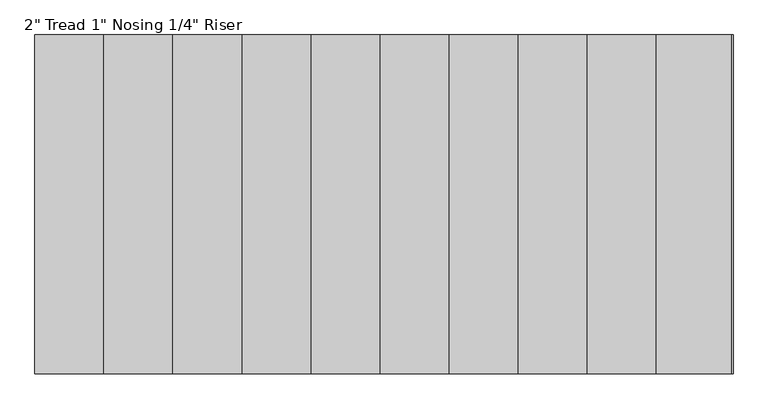
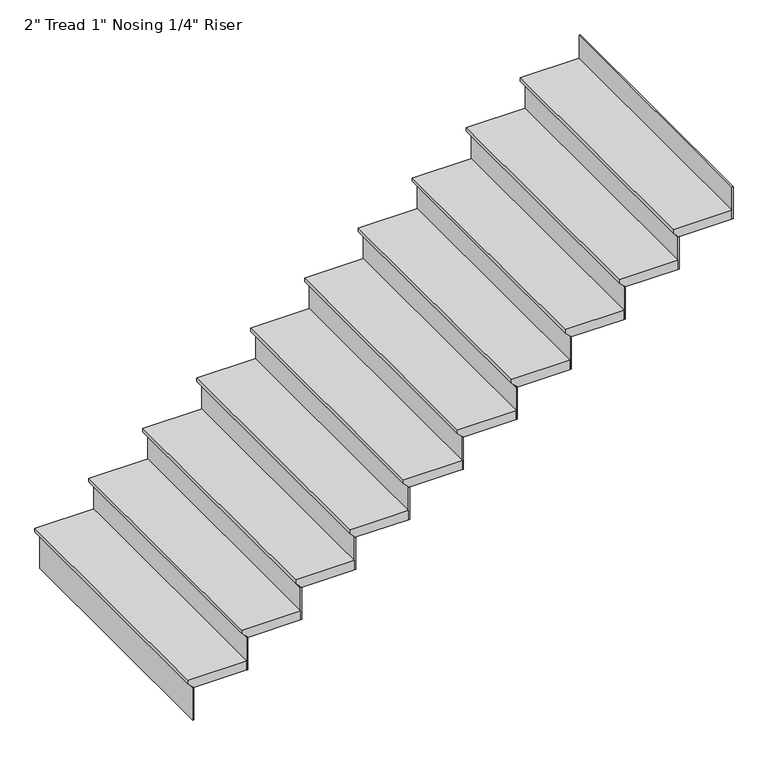
"""IFC4 building model written with IfcOpenShell, lengths in millimetres: stair flight geometry."""

from ifc_helpers import new_model, si_unit, frame, origin, place, context, project, spatial, polyline, outline, extrude, source, transform, mapped, element, save


def stair_flight_6864d368(model_context):
    return source(origin(), model_context, "Body", "SweptSolid", [
        extrude(outline(polyline([(265.0434783, -544596.9675922), (265.0434783, -544901.7675922), (245.9934783, -544901.7675922), (220.5934783, -544876.3675922), (214.2434783, -544876.3675922), (214.2434783, -544596.9675922), (265.0434783, -544596.9675922)])), frame((0.0, -2942.7663899, 0.0), z_axis=(0.0, 1.0, 0.0), x_axis=(0.0, 0.0, 1.0)), (0.0, 0.0, 1.0), 1371.6),
        extrude(outline(polyline([(-544870.0175922, -2942.7663899), (-544876.3675922, -2942.7663899), (-544876.3675922, -1571.1663899), (-544870.0175922, -1571.1663899), (-544870.0175922, -2942.7663899)])), frame((0.0, 0.0, 37.5478261), z_axis=(0.0, 0.0, 1.0), x_axis=(1.0, 0.0, 0.0)), (0.0, 0.0, 1.0), 176.6956522),
        extrude(outline(polyline([(-544590.6175922, -2942.7663899), (-544596.9675922, -2942.7663899), (-544596.9675922, -1571.1663899), (-544590.6175922, -1571.1663899), (-544590.6175922, -2942.7663899)])), frame((0.0, 0.0, 214.2434783), z_axis=(0.0, 0.0, 1.0), x_axis=(1.0, 0.0, 0.0)), (0.0, 0.0, 1.0), 176.6956522),
        extrude(outline(polyline([(441.7391304, -544317.5675922), (441.7391304, -544622.3675922), (422.6891304, -544622.3675922), (397.2891304, -544596.9675922), (390.9391304, -544596.9675922), (390.9391304, -544317.5675922), (441.7391304, -544317.5675922)])), frame((0.0, -2942.7663899, 0.0), z_axis=(0.0, 1.0, 0.0), x_axis=(0.0, 0.0, 1.0)), (0.0, 0.0, 1.0), 1371.6),
        extrude(outline(polyline([(-544311.2175922, -2942.7663899), (-544317.5675922, -2942.7663899), (-544317.5675922, -1571.1663899), (-544311.2175922, -1571.1663899), (-544311.2175922, -2942.7663899)])), frame((0.0, 0.0, 390.9391304), z_axis=(0.0, 0.0, 1.0), x_axis=(1.0, 0.0, 0.0)), (0.0, 0.0, 1.0), 176.6956522),
        extrude(outline(polyline([(618.4347826, -544038.1675922), (618.4347826, -544342.9675922), (599.3847826, -544342.9675922), (573.9847826, -544317.5675922), (567.6347826, -544317.5675922), (567.6347826, -544038.1675922), (618.4347826, -544038.1675922)])), frame((0.0, -2942.7663899, 0.0), z_axis=(0.0, 1.0, 0.0), x_axis=(0.0, 0.0, 1.0)), (0.0, 0.0, 1.0), 1371.6),
        extrude(outline(polyline([(-544031.8175922, -2942.7663899), (-544038.1675922, -2942.7663899), (-544038.1675922, -1571.1663899), (-544031.8175922, -1571.1663899), (-544031.8175922, -2942.7663899)])), frame((0.0, 0.0, 567.6347826), z_axis=(0.0, 0.0, 1.0), x_axis=(1.0, 0.0, 0.0)), (0.0, 0.0, 1.0), 176.6956522),
        extrude(outline(polyline([(795.1304348, -543758.7675922), (795.1304348, -544063.5675922), (776.0804348, -544063.5675922), (750.6804348, -544038.1675922), (744.3304348, -544038.1675922), (744.3304348, -543758.7675922), (795.1304348, -543758.7675922)])), frame((0.0, -2942.7663899, 0.0), z_axis=(0.0, 1.0, 0.0), x_axis=(0.0, 0.0, 1.0)), (0.0, 0.0, 1.0), 1371.6),
        extrude(outline(polyline([(-543752.4175922, -2942.7663899), (-543758.7675922, -2942.7663899), (-543758.7675922, -1571.1663899), (-543752.4175922, -1571.1663899), (-543752.4175922, -2942.7663899)])), frame((0.0, 0.0, 744.3304348), z_axis=(0.0, 0.0, 1.0), x_axis=(1.0, 0.0, 0.0)), (0.0, 0.0, 1.0), 176.6956522),
        extrude(outline(polyline([(971.826087, -543479.3675922), (971.826087, -543784.1675922), (952.776087, -543784.1675922), (927.376087, -543758.7675922), (921.026087, -543758.7675922), (921.026087, -543479.3675922), (971.826087, -543479.3675922)])), frame((0.0, -2942.7663899, 0.0), z_axis=(0.0, 1.0, 0.0), x_axis=(0.0, 0.0, 1.0)), (0.0, 0.0, 1.0), 1371.6),
        extrude(outline(polyline([(-543473.0175922, -2942.7663899), (-543479.3675922, -2942.7663899), (-543479.3675922, -1571.1663899), (-543473.0175922, -1571.1663899), (-543473.0175922, -2942.7663899)])), frame((0.0, 0.0, 921.026087), z_axis=(0.0, 0.0, 1.0), x_axis=(1.0, 0.0, 0.0)), (0.0, 0.0, 1.0), 176.6956522),
        extrude(outline(polyline([(1148.5217391, -543199.9675922), (1148.5217391, -543504.7675922), (1129.4717391, -543504.7675922), (1104.0717391, -543479.3675922), (1097.7217391, -543479.3675922), (1097.7217391, -543199.9675922), (1148.5217391, -543199.9675922)])), frame((0.0, -2942.7663899, 0.0), z_axis=(0.0, 1.0, 0.0), x_axis=(0.0, 0.0, 1.0)), (0.0, 0.0, 1.0), 1371.6),
        extrude(outline(polyline([(-543193.6175922, -2942.7663899), (-543199.9675922, -2942.7663899), (-543199.9675922, -1571.1663899), (-543193.6175922, -1571.1663899), (-543193.6175922, -2942.7663899)])), frame((0.0, 0.0, 1097.7217391), z_axis=(0.0, 0.0, 1.0), x_axis=(1.0, 0.0, 0.0)), (0.0, 0.0, 1.0), 176.6956522),
        extrude(outline(polyline([(1325.2173913, -542920.5675922), (1325.2173913, -543225.3675922), (1306.1673913, -543225.3675922), (1280.7673913, -543199.9675922), (1274.4173913, -543199.9675922), (1274.4173913, -542920.5675922), (1325.2173913, -542920.5675922)])), frame((0.0, -2942.7663899, 0.0), z_axis=(0.0, 1.0, 0.0), x_axis=(0.0, 0.0, 1.0)), (0.0, 0.0, 1.0), 1371.6),
        extrude(outline(polyline([(-542914.2175922, -2942.7663899), (-542920.5675922, -2942.7663899), (-542920.5675922, -1571.1663899), (-542914.2175922, -1571.1663899), (-542914.2175922, -2942.7663899)])), frame((0.0, 0.0, 1274.4173913), z_axis=(0.0, 0.0, 1.0), x_axis=(1.0, 0.0, 0.0)), (0.0, 0.0, 1.0), 176.6956522),
        extrude(outline(polyline([(1501.9130435, -542641.1675922), (1501.9130435, -542945.9675922), (1482.8630435, -542945.9675922), (1457.4630435, -542920.5675922), (1451.1130435, -542920.5675922), (1451.1130435, -542641.1675922), (1501.9130435, -542641.1675922)])), frame((0.0, -2942.7663899, 0.0), z_axis=(0.0, 1.0, 0.0), x_axis=(0.0, 0.0, 1.0)), (0.0, 0.0, 1.0), 1371.6),
        extrude(outline(polyline([(-542634.8175922, -2942.7663899), (-542641.1675922, -2942.7663899), (-542641.1675922, -1571.1663899), (-542634.8175922, -1571.1663899), (-542634.8175922, -2942.7663899)])), frame((0.0, 0.0, 1451.1130435), z_axis=(0.0, 0.0, 1.0), x_axis=(1.0, 0.0, 0.0)), (0.0, 0.0, 1.0), 176.6956522),
        extrude(outline(polyline([(1678.6086957, -542361.7675922), (1678.6086957, -542666.5675922), (1659.5586957, -542666.5675922), (1634.1586957, -542641.1675922), (1627.8086957, -542641.1675922), (1627.8086957, -542361.7675922), (1678.6086957, -542361.7675922)])), frame((0.0, -2942.7663899, 0.0), z_axis=(0.0, 1.0, 0.0), x_axis=(0.0, 0.0, 1.0)), (0.0, 0.0, 1.0), 1371.6),
        extrude(outline(polyline([(-542355.4175922, -2942.7663899), (-542361.7675922, -2942.7663899), (-542361.7675922, -1571.1663899), (-542355.4175922, -1571.1663899), (-542355.4175922, -2942.7663899)])), frame((0.0, 0.0, 1627.8086957), z_axis=(0.0, 0.0, 1.0), x_axis=(1.0, 0.0, 0.0)), (0.0, 0.0, 1.0), 176.6956522),
        extrude(outline(polyline([(-542076.0175922, -2942.7663899), (-542082.3675922, -2942.7663899), (-542082.3675922, -1571.1663899), (-542076.0175922, -1571.1663899), (-542076.0175922, -2942.7663899)])), frame((0.0, 0.0, 1804.5043478), z_axis=(0.0, 0.0, 1.0), x_axis=(1.0, 0.0, 0.0)), (0.0, 0.0, 1.0), 176.6956522),
        extrude(outline(polyline([(1855.3043478, -542082.3675922), (1855.3043478, -542387.1675922), (1836.2543478, -542387.1675922), (1810.8543478, -542361.7675922), (1804.5043478, -542361.7675922), (1804.5043478, -542082.3675922), (1855.3043478, -542082.3675922)])), frame((0.0, -2942.7663899, 0.0), z_axis=(0.0, 1.0, 0.0), x_axis=(0.0, 0.0, 1.0)), (0.0, 0.0, 1.0), 1371.6),
    ])


if __name__ == "__main__":
    model = new_model("IFC4")
    model_context = context("Model", 3, world=origin())
    ifc_project = project(units=[si_unit("LENGTHUNIT", "METRE", prefix="MILLI")], contexts=[model_context])
    site = spatial("IfcSite", under=ifc_project)
    building = spatial("IfcBuilding", under=site)
    placement = place(None, origin())
    stair_flight_shape = stair_flight_6864d368(model_context)
    element("IfcStairFlight", 1, ObjectType="2\" Tread 1\" Nosing 1/4\" Riser", at=placement, inside=building, context=model_context, shape_type="MappedRepresentation", body=[
        mapped(stair_flight_shape, transform((0.0, 0.0, 0.0), x_axis=(1.0, 0.0, 0.0), y_axis=(0.0, 1.0, 0.0), z_axis=(0.0, 0.0, 1.0))),
    ])
    save(model, "model.ifc")
